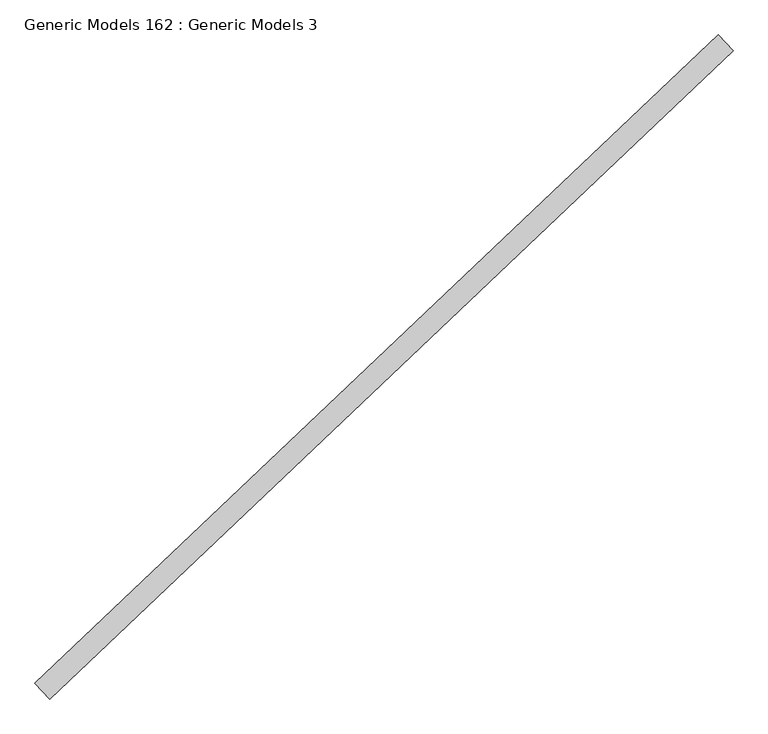
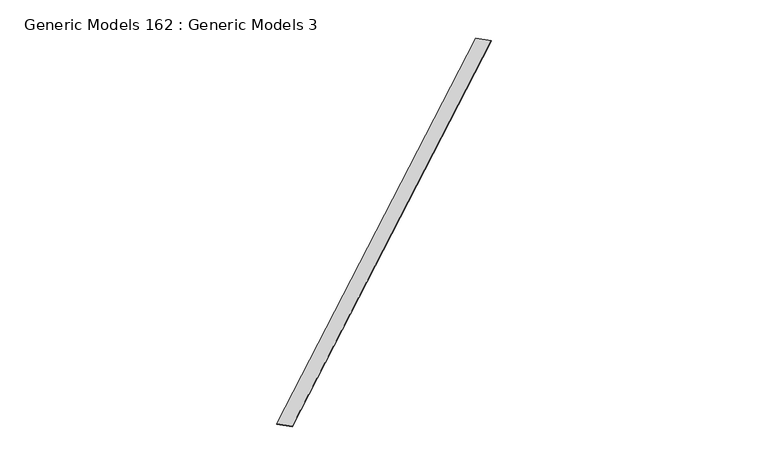
"""IFC4 building model written with IfcOpenShell, lengths in millimetres: proxy geometry, Generic Models 162 : Generic Models 3."""

from ifc_helpers import new_model, si_unit, frame, origin, place, context, project, spatial, polyline, outline, extrude, source, transform, mapped, element, save


def generic_models_162_generic_models_3_98df6e1d(model_context):
    return source(origin(), model_context, "Body", "SweptSolid", [
        extrude(outline(polyline([(99803.768531, 63838.2530537), (99875.4534176, 63762.712945), (96588.9816205, 60643.96766), (96517.2967339, 60719.5077688), (99803.768531, 63838.2530537)])), frame((0.0, 0.0, 18013.9173111), z_axis=(0.0, 0.0, 1.0), x_axis=(1.0, 0.0, 0.0)), (0.0, 0.0, 1.0), 3.3689262),
    ])


if __name__ == "__main__":
    model = new_model("IFC4")
    model_context = context("Model", 3, world=origin())
    ifc_project = project(units=[si_unit("LENGTHUNIT", "METRE", prefix="MILLI")], contexts=[model_context])
    site = spatial("IfcSite", under=ifc_project)
    building = spatial("IfcBuilding", under=site)
    placement = place(None, origin())
    generic_models_162_generic_models_3_shape = generic_models_162_generic_models_3_98df6e1d(model_context)
    element("IfcBuildingElementProxy", 1, Name="Generic Models 162 : Generic Models 3", ObjectType="Generic Models 162 : Generic Models 3", at=placement, inside=building, context=model_context, shape_type="MappedRepresentation", body=[
        mapped(generic_models_162_generic_models_3_shape, transform((0.0, 0.0, 0.0), x_axis=(1.0, 0.0, 0.0), y_axis=(0.0, 1.0, 0.0), z_axis=(0.0, 0.0, 1.0))),
    ])
    save(model, "model.ifc")
